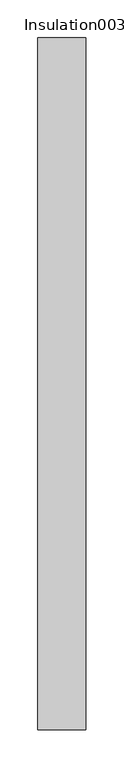
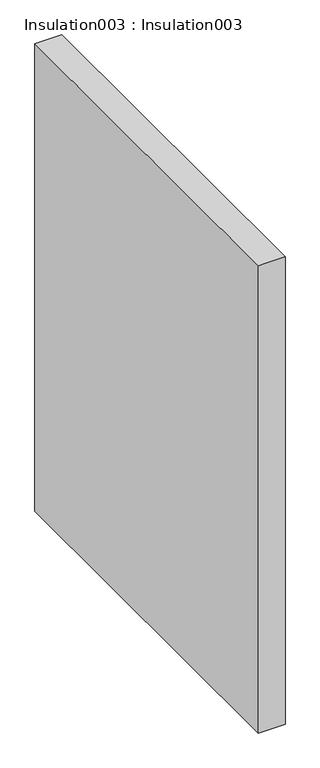
"""IFC4 building model written with IfcOpenShell, lengths in millimetres: proxy geometry, Insulation003 : Insulation003."""

import ifcopenshell
import ifcopenshell.guid

model = None  # the IFC model being written
_history = None  # IfcOwnerHistory: only IFC2X3 demands one
_inside = {}  # id of a spatial element -> (the spatial element, [elements in it])
_under = {}  # id of a project, library or spatial element -> (it, [spatial elements below it])
_declared = {}  # id of a project -> (the project, [libraries it declares])
_typed = {}  # id of a type object -> (the type object, [elements of that type])
_made_of = {}  # id of a material, layer set ... -> (it, [elements and type objects made of it])


def new_model(schema):
    """Start an empty IFC model of exactly this schema.

    Asked for "IFC4X3", IfcOpenShell would pick the latest addendum, in which some entities
    have other attributes; the version numbers below select the first issue.
    IFC2X3 requires an IfcOwnerHistory on every rooted entity: one is made here for all.
    """
    global model, _history
    if schema == "IFC4X3":
        model = ifcopenshell.file(schema_version=(4, 3, 0, 0))
    else:
        model = ifcopenshell.file(schema=schema)
    _inside.clear()
    _under.clear()
    _declared.clear()
    _typed.clear()
    _made_of.clear()
    _history = None
    if model.schema == "IFC2X3":
        org = make("IfcOrganization", Name="unknown")
        user = make(
            "IfcPersonAndOrganization",
            ThePerson=make("IfcPerson", FamilyName="unknown"),
            TheOrganization=org,
        )
        app = make(
            "IfcApplication",
            ApplicationDeveloper=org,
            Version="unknown",
            ApplicationFullName="unknown",
            ApplicationIdentifier="unknown",
        )
        _history = make(
            "IfcOwnerHistory",
            OwningUser=user,
            OwningApplication=app,
            ChangeAction="ADDED",
            CreationDate=0,
        )
    return model


def make(cls, **values):
    """One entity of the class cls with the attributes given. An attribute that is None is left unset."""
    return model.create_entity(
        cls, **{name: value for name, value in values.items() if value is not None}
    )


def rooted(cls, **values):
    """An entity with a GlobalId (a new one), such as an element, a storey or a relation."""
    return make(cls, GlobalId=ifcopenshell.guid.new(), OwnerHistory=_history, **values)


def si_unit(unit_type, name, prefix=None):
    """IfcSIUnit, for example si_unit("LENGTHUNIT", "METRE", prefix="MILLI")."""
    return make("IfcSIUnit", UnitType=unit_type, Prefix=prefix, Name=name)


def assignment(units):
    """IfcUnitAssignment: the units of a project."""
    return None if units is None else make("IfcUnitAssignment", Units=units)


def point(xyz):
    """IfcCartesianPoint."""
    return None if xyz is None else make("IfcCartesianPoint", Coordinates=xyz)


def direction(xyz):
    """IfcDirection."""
    return None if xyz is None else make("IfcDirection", DirectionRatios=xyz)


def frame(location, z_axis=None, x_axis=None):
    """IfcAxis2Placement3D, a coordinate frame: its origin and axes. An axis left out is left unset."""
    return make(
        "IfcAxis2Placement3D",
        Location=point(location),
        Axis=direction(z_axis),
        RefDirection=direction(x_axis),
    )


def origin():
    """The frame at (0, 0, 0) with its axes left unset."""
    return frame((0.0, 0.0, 0.0))


def place(relative_to, where):
    """IfcLocalPlacement: puts the frame where relative to a parent placement (None: the world)."""
    return make(
        "IfcLocalPlacement", PlacementRelTo=relative_to, RelativePlacement=where
    )


def context(
    kind, dimensions, precision=None, world=None, true_north=None, identifier=None
):
    """IfcGeometricRepresentationContext, for example the 3D "Model" context."""
    return make(
        "IfcGeometricRepresentationContext",
        ContextIdentifier=identifier,
        ContextType=kind,
        CoordinateSpaceDimension=dimensions,
        Precision=precision,
        WorldCoordinateSystem=world,
        TrueNorth=true_north,
    )


def project(units=None, contexts=None):
    """IfcProject with its units and contexts."""
    return rooted(
        "IfcProject",
        Name="project",
        RepresentationContexts=contexts,
        UnitsInContext=assignment(units),
    )


def spatial(cls, under=None, at=None, **own):
    """A site, building, storey or space (cls), placed at a placement, below another one or the project."""
    s = rooted(cls, ObjectPlacement=at, **own)
    if under is not None:
        _under.setdefault(under.id(), (under, []))[1].append(s)
    return s


def polyline(points):
    """IfcPolyline through the points."""
    return make("IfcPolyline", Points=[point(p) for p in points])


def outline(outer, holes=None, kind="AREA"):
    """IfcArbitraryClosedProfileDef: a profile drawn as a closed curve; with holes, ...WithVoids."""
    if holes is None:
        return make("IfcArbitraryClosedProfileDef", ProfileType=kind, OuterCurve=outer)
    return make(
        "IfcArbitraryProfileDefWithVoids",
        ProfileType=kind,
        OuterCurve=outer,
        InnerCurves=holes,
    )


def extrude(swept, where, along, depth):
    """IfcExtrudedAreaSolid: the profile swept, set in the frame where, extruded along a direction by depth."""
    return make(
        "IfcExtrudedAreaSolid",
        SweptArea=swept,
        Position=where,
        ExtrudedDirection=direction(along),
        Depth=depth,
    )


def shape(context_of_items, identifier, shape_type, items):
    """IfcShapeRepresentation: the items that make up one representation, for example the "Body"."""
    return make(
        "IfcShapeRepresentation",
        ContextOfItems=context_of_items,
        RepresentationIdentifier=identifier,
        RepresentationType=shape_type,
        Items=items,
    )


def source(mapping_origin, context_of_items, identifier, shape_type, items):
    """IfcRepresentationMap: a shape defined once, which mapped items show again and again."""
    return make(
        "IfcRepresentationMap",
        MappingOrigin=mapping_origin,
        MappedRepresentation=shape(context_of_items, identifier, shape_type, items),
    )


def transform(
    local_origin,
    x_axis=None,
    y_axis=None,
    z_axis=None,
    scale=None,
    scale2=None,
    scale3=None,
    uniform=True,
):
    """IfcCartesianTransformationOperator3D, or its non-uniform kind. x_axis, y_axis, z_axis: its Axis1, 2, 3."""
    if uniform:
        return make(
            "IfcCartesianTransformationOperator3D",
            Axis1=direction(x_axis),
            Axis2=direction(y_axis),
            LocalOrigin=point(local_origin),
            Scale=scale,
            Axis3=direction(z_axis),
        )
    return make(
        "IfcCartesianTransformationOperator3DnonUniform",
        Axis1=direction(x_axis),
        Axis2=direction(y_axis),
        LocalOrigin=point(local_origin),
        Scale=scale,
        Axis3=direction(z_axis),
        Scale2=scale2,
        Scale3=scale3,
    )


def mapped(mapping_source, mapping_target):
    """IfcMappedItem: shows the shape of a source again, moved by a transform."""
    return make(
        "IfcMappedItem", MappingSource=mapping_source, MappingTarget=mapping_target
    )


def made_of(thing, what):
    """Note that an element or type object is made of a material, layer set ...; save() writes the relation."""
    if what is not None:
        _made_of.setdefault(what.id(), (what, []))[1].append(thing)
    return thing


def element(
    cls,
    number,
    at=None,
    inside=None,
    cuts=None,
    type_object=None,
    material=None,
    context=None,
    identifier="Body",
    shape_type=None,
    held_by="IfcProductDefinitionShape",
    body=None,
    shapes=None,
    **own,
):
    """One element of the class cls, such as IfcWall. Its Tag is "e" and its number.

    at: its placement. inside: the storey or other place that contains it. cuts: it is an
    opening in that element (IfcRelVoidsElement). A single representation is given by context,
    identifier, shape_type and body (its items); several are given by shapes. held_by: the class
    of the entity that holds the representations. save() writes the other relations.
    """
    e = rooted(cls, Tag="e%d" % number, ObjectPlacement=at, **own)
    if body is not None:
        shapes = [shape(context, identifier, shape_type, body)]
    if shapes is not None:
        e.Representation = make(held_by, Representations=shapes)
    if inside is not None:
        _inside.setdefault(inside.id(), (inside, []))[1].append(e)
    if cuts is not None:
        rooted(
            "IfcRelVoidsElement", RelatingBuildingElement=cuts, RelatedOpeningElement=e
        )
    if type_object is not None:
        _typed.setdefault(type_object.id(), (type_object, []))[1].append(e)
    return made_of(e, material)


def aggregate(whole, parts):
    """IfcRelAggregates: a whole, such as a stair, and the parts it consists of."""
    return rooted("IfcRelAggregates", RelatingObject=whole, RelatedObjects=parts)


def save(model, path):
    """Write the relations noted so far, then the file.

    IfcRelAggregates (storeys below a building ...), IfcRelContainedInSpatialStructure (elements
    in a storey), IfcRelDefinesByType, IfcRelAssociatesMaterial and IfcRelDeclares: one each for
    every whole, place, type object, material and project.
    """
    for whole, parts in _under.values():
        aggregate(whole, parts)
    for where, things in _inside.values():
        rooted(
            "IfcRelContainedInSpatialStructure",
            RelatedElements=things,
            RelatingStructure=where,
        )
    for kind, things in _typed.values():
        rooted("IfcRelDefinesByType", RelatedObjects=things, RelatingType=kind)
    for what, things in _made_of.values():
        rooted("IfcRelAssociatesMaterial", RelatedObjects=things, RelatingMaterial=what)
    for by, libraries in _declared.values():
        rooted("IfcRelDeclares", RelatingContext=by, RelatedDefinitions=libraries)
    model.write(path)


def insulation003_insulation003_154ed0a9(model_context):
    return source(origin(), model_context, "Body", "SweptSolid", [
        extrude(outline(polyline([(37331.5693516, -19576.8264268), (37268.0693516, -19576.8264268), (37268.0693516, -18662.4264268), (37331.5693516, -18662.4264268), (37331.5693516, -19576.8264268)])), frame((0.0, 0.0, 152.4), z_axis=(0.0, 0.0, 1.0), x_axis=(1.0, 0.0, 0.0)), (0.0, 0.0, 1.0), 1168.4),
    ])


if __name__ == "__main__":
    model = new_model("IFC4")
    model_context = context("Model", 3, world=origin())
    ifc_project = project(units=[si_unit("LENGTHUNIT", "METRE", prefix="MILLI")], contexts=[model_context])
    site = spatial("IfcSite", under=ifc_project)
    building = spatial("IfcBuilding", under=site)
    placement = place(None, origin())
    insulation003_insulation003_shape = insulation003_insulation003_154ed0a9(model_context)
    element("IfcBuildingElementProxy", 1, Name="Insulation003 : Insulation003", ObjectType="Insulation003 : Insulation003", at=placement, inside=building, context=model_context, shape_type="MappedRepresentation", body=[
        mapped(insulation003_insulation003_shape, transform((0.0, 0.0, 0.0), x_axis=(1.0, 0.0, 0.0), y_axis=(0.0, 1.0, 0.0), z_axis=(0.0, 0.0, 1.0))),
    ])
    save(model, "model.ifc")
